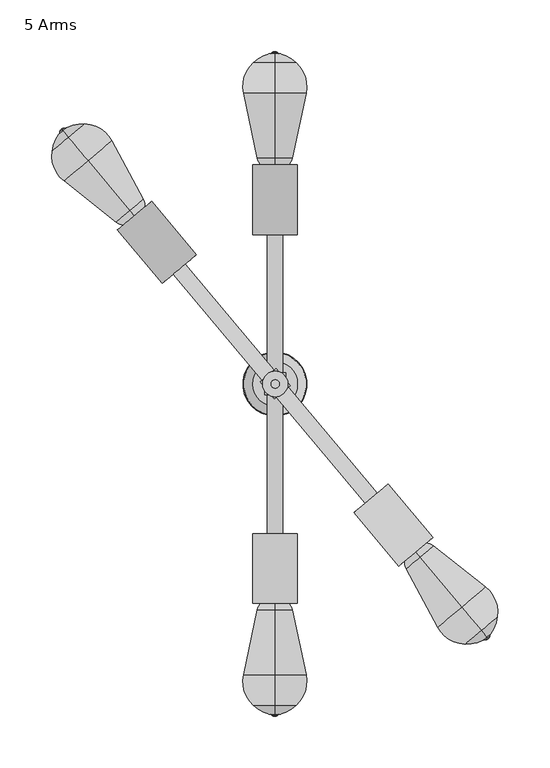
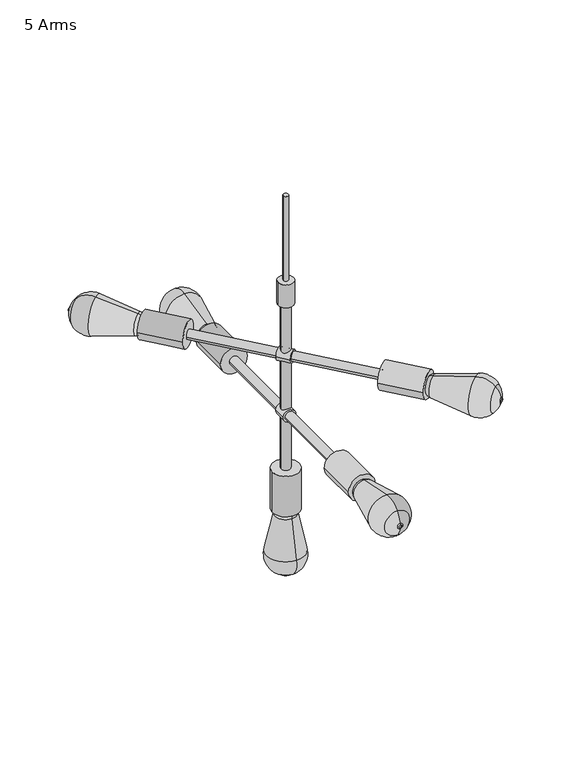
"""IFC4 building model written with IfcOpenShell, lengths in millimetres: furniture geometry, 5 Arms."""

from ifc_helpers import new_model, si_unit, point, frame, frame_2d, origin, origin_2d, place, context, project, spatial, polyline, circle_curve, ellipse_curve, trimmed, segment, composite_curve, outline, extrude, source, transform, mapped, element, save
from ifc_brep_helpers import plane_surface, revolved_surface, advanced_brep


def furniture_5_arms_834e8cb2(model_context):
    return source(origin(), model_context, "Body", "SolidModel", [
        extrude(outline(composite_curve([segment(trimmed(circle_curve(frame_2d((0.0, -10.0)), 10.0), [point((0.0, -19.9999999))], [point((0.0, 0.0))], False, "CARTESIAN"), True, "CONTINUOUS"), segment(trimmed(circle_curve(frame_2d((0.0, -10.0)), 10.0), [point((0.0, 0.0))], [point((0.0, -19.9999999))], False, "CARTESIAN"), True, "CONTINUOUS")], self_intersect=False)), frame((14.5076184, -1.6676483, 1125.9234878), z_axis=(-0.6390690779321045, 0.7691493441660142, 0.0), x_axis=(0.0, 0.0, 1.0)), (0.0, 0.0, 1.0), 21.3314186),
        extrude(outline(composite_curve([segment(trimmed(circle_curve(frame_2d((1028.6037377, 0.0)), 10.0), [point((1028.6037377, -10.0))], [point((1028.6037377, 10.0))], False, "CARTESIAN"), True, "CONTINUOUS"), segment(trimmed(circle_curve(frame_2d((1028.6037377, 0.0)), 10.0), [point((1028.6037377, 10.0))], [point((1028.6037377, -10.0))], False, "CARTESIAN"), True, "CONTINUOUS")], self_intersect=False)), frame((0.0, -10.5205251, 0.0), z_axis=(0.0, 1.0, 0.0), x_axis=(0.0, 0.0, 1.0)), (0.0, 0.0, 1.0), 21.3314186),
        extrude(outline(composite_curve([segment(trimmed(circle_curve(frame_2d((0.0, -21.5)), 21.5), [point((0.0, -43.0))], [point((0.0, 0.0))], False, "CARTESIAN"), True, "CONTINUOUS"), segment(trimmed(circle_curve(frame_2d((0.0, -21.5)), 21.5), [point((0.0, 0.0))], [point((0.0, -43.0))], False, "CARTESIAN"), True, "CONTINUOUS")], self_intersect=False)), frame((-76.2749676, 124.7486621, 1125.9234878), z_axis=(-0.641954592659255, 0.7667426562828561, 0.0), x_axis=(0.0, 0.0, 1.0)), (0.0, 0.0, 1.0), 67.2515383),
        extrude(outline(composite_curve([segment(trimmed(circle_curve(frame_2d((0.0, -21.5)), 21.5), [point((0.0, -43.0000001))], [point((0.0, 0.0))], False, "CARTESIAN"), True, "CONTINUOUS"), segment(trimmed(circle_curve(frame_2d((0.0, -21.5)), 21.5), [point((0.0, 0.0))], [point((0.0, -43.0000001))], False, "CARTESIAN"), True, "CONTINUOUS")], self_intersect=False)), frame((152.2179252, -148.1604339, 1125.9234878), z_axis=(-0.641954592659255, 0.7667426562828561, 0.0), x_axis=(0.0, 0.0, 1.0)), (0.0, 0.0, 1.0), 67.2515383),
        advanced_brep(
        [(-136.0675596, 162.0068787, 1125.9234878), (-136.0675596, 162.0068787, 1139.0991558), (-136.0675596, 162.0068787, 1112.7478198), (-140.4828524, 167.2804501, 1143.054111), (-140.4828524, 167.2804501, 1108.7928646), (-180.7451697, 215.3692658, 1156.2584812), (-180.7451697, 215.3692658, 1095.5884944), (-199.6744613, 237.9781784, 1146.5964524), (-199.6744613, 237.9781784, 1105.2505232), (-205.0121244, 244.3534175, 1130.9012975), (-205.0121244, 244.3534175, 1120.9456781), (-205.7418194, 245.2249562, 1128.9325153), (-205.7418194, 245.2249562, 1122.9144603), (-206.3018221, 245.8938165, 1126.8774109), (-206.3018221, 245.8938165, 1124.9695647), (-206.3018221, 245.8938165, 1125.9234878)],
        [
            (0, 1),
            (1, 2, circle_curve(frame((-136.0675596, 162.0068787, 1125.9234878), z_axis=(0.6419545926592655, -0.7667426562828475, 0.0), x_axis=(0.0, 0.0, 1.0)), 13.175668)),
            (2, 0),
            (2, 1, circle_curve(frame((-136.0675596, 162.0068787, 1125.9234878), z_axis=(0.6419545926592655, -0.7667426562828475, 0.0), x_axis=(0.0, 0.0, 1.0)), 13.175668)),
            (1, 3, circle_curve(frame((-142.1796575, 169.3070932, 1130.4994665), z_axis=(-0.7667426562828475, -0.6419545926592654, 0.0), x_axis=(0.0, 0.0, -1.0)), 12.8298686)),
            (3, 4, circle_curve(frame((-140.4828524, 167.2804501, 1125.9234878), z_axis=(0.6419545926592655, -0.7667426562828475, 0.0), x_axis=(0.0, 0.0, 1.0)), 17.1306232)),
            (4, 2, circle_curve(frame((-142.1796575, 169.3070932, 1121.3475091), z_axis=(-0.7667426562828471, -0.6419545926592658, 0.0), x_axis=(0.0, 0.0, 1.0)), 12.8298686)),
            (4, 3, circle_curve(frame((-140.4828524, 167.2804501, 1125.9234878), z_axis=(0.6419545926592655, -0.7667426562828475, 0.0), x_axis=(0.0, 0.0, 1.0)), 17.1306232)),
            (3, 5),
            (5, 6, circle_curve(frame((-180.7451697, 215.3692658, 1125.9234878), z_axis=(0.6419545926592655, -0.7667426562828475, 0.0), x_axis=(0.0, 0.0, 1.0)), 30.3349934)),
            (6, 4),
            (6, 5, circle_curve(frame((-180.7451697, 215.3692658, 1125.9234878), z_axis=(0.6419545926592655, -0.7667426562828475, 0.0), x_axis=(0.0, 0.0, 1.0)), 30.3349934)),
            (5, 7, circle_curve(frame((-184.8450526, 220.2661154, 1125.9234878), z_axis=(-0.7667426562828475, -0.6419545926592654, 0.0), x_axis=(0.0, 0.0, -1.0)), 31.0)),
            (7, 8, circle_curve(frame((-199.6744613, 237.9781784, 1125.9234878), z_axis=(0.6419545926592655, -0.7667426562828475, 0.0), x_axis=(0.0, 0.0, 1.0)), 20.6729646)),
            (8, 6, circle_curve(frame((-184.8450526, 220.2661154, 1125.9234878), z_axis=(-0.7667426562828471, -0.6419545926592658, 0.0), x_axis=(0.0, 0.0, 1.0)), 31.0)),
            (8, 7, circle_curve(frame((-199.6744613, 237.9781784, 1125.9234878), z_axis=(0.6419545926592655, -0.7667426562828475, 0.0), x_axis=(0.0, 0.0, 1.0)), 20.6729646)),
            (7, 9, circle_curve(frame((-182.0062726, 216.8755116, 1121.9660813), z_axis=(-0.7667426562828475, -0.6419545926592654, 0.0), x_axis=(0.0, 0.0, -1.0)), 36.9343014)),
            (9, 10, circle_curve(frame((-205.0121244, 244.3534175, 1125.9234878), z_axis=(0.6419545926592655, -0.7667426562828475, 0.0), x_axis=(0.0, 0.0, 1.0)), 4.9778097)),
            (10, 8, circle_curve(frame((-182.0062726, 216.8755116, 1129.8808943), z_axis=(-0.7667426562828471, -0.6419545926592658, 0.0), x_axis=(0.0, 0.0, 1.0)), 36.9343014)),
            (10, 9, circle_curve(frame((-205.0121244, 244.3534175, 1125.9234878), z_axis=(0.6419545926592655, -0.7667426562828475, 0.0), x_axis=(0.0, 0.0, 1.0)), 4.9778097)),
            (9, 11, circle_curve(frame((-207.5807889, 247.4213988, 1131.8989381), z_axis=(0.7667426562828475, 0.6419545926592654, 0.0), x_axis=(0.0, 0.0, -1.0)), 4.123813)),
            (11, 12, circle_curve(frame((-205.7418194, 245.2249562, 1125.9234878), z_axis=(0.6419545926592655, -0.7667426562828475, 0.0), x_axis=(0.0, 0.0, 1.0)), 3.0090275)),
            (12, 10, circle_curve(frame((-207.5807889, 247.4213988, 1119.9480375), z_axis=(0.7667426562828471, 0.6419545926592658, 0.0), x_axis=(0.0, 0.0, 1.0)), 4.123813)),
            (12, 11, circle_curve(frame((-205.7418194, 245.2249562, 1125.9234878), z_axis=(0.6419545926592655, -0.7667426562828475, 0.0), x_axis=(0.0, 0.0, 1.0)), 3.0090275)),
            (11, 13, circle_curve(frame((-204.4678019, 243.7032854, 1126.8774109), z_axis=(-0.7667426562828475, -0.6419545926592654, 0.0), x_axis=(0.0, 0.0, -1.0)), 2.8569314)),
            (13, 14, circle_curve(frame((-206.3018221, 245.8938165, 1125.9234878), z_axis=(0.6419545926592655, -0.7667426562828475, 0.0), x_axis=(0.0, 0.0, 1.0)), 0.9539231)),
            (14, 12, circle_curve(frame((-204.4678019, 243.7032854, 1124.9695647), z_axis=(-0.7667426562828471, -0.6419545926592658, 0.0), x_axis=(0.0, 0.0, 1.0)), 2.8569314)),
            (14, 13, circle_curve(frame((-206.3018221, 245.8938165, 1125.9234878), z_axis=(0.6419545926592655, -0.7667426562828475, 0.0), x_axis=(0.0, 0.0, 1.0)), 0.9539231)),
            (13, 15),
            (15, 14),
        ],
        [
            plane_surface(frame((-136.0675596, 162.0068787, 1125.9234878), z_axis=(0.6419545926592656, -0.7667426562828473, 0.0), x_axis=(0.0, 0.0, 1.0))),
            revolved_surface(trimmed(ellipse_curve(frame((-142.1796575, 169.3070932, 1130.4994665), z_axis=(0.7667426562828475, 0.6419545926592654, 0.0), x_axis=(0.0, 0.0, -1.0)), 12.8298686, 12.8298686), [point((-140.4828524, 167.2804501, 1143.054111))], [point((-136.0675596, 162.0068787, 1139.0991558))], True, "CARTESIAN"), (-118.6025009, 141.1468278, 1125.9234878), (0.6419545926592654, -0.7667426562828473, 0.0)),
            revolved_surface(trimmed(ellipse_curve(frame((-142.1796575, 169.3070932, 1130.4994665), z_axis=(0.7667426562828477, 0.6419545926592652, 0.0), x_axis=(0.0, 0.0, -1.0)), 12.8298686, 12.8298686), [point((-140.4828524, 167.2804501, 1143.054111))], [point((-136.0675596, 162.0068787, 1139.0991558))], True, "CARTESIAN"), (-118.6025009, 141.1468278, 1125.9234878), (0.6419545926592654, -0.7667426562828473, 0.0)),
            revolved_surface(polyline([(-180.7451697, 215.3692658, 1156.2584812), (-140.4828524, 167.2804501, 1143.054111)]), (-118.6025009, 141.1468278, 1125.9234878), (0.6419545926592654, -0.7667426562828473, 0.0)),
            revolved_surface(trimmed(ellipse_curve(frame((-184.8450526, 220.2661154, 1125.9234878), z_axis=(0.7667426562828475, 0.6419545926592654, 0.0), x_axis=(0.0, 0.0, -1.0)), 31.0, 31.0), [point((-199.6744613, 237.9781784, 1146.5964524))], [point((-180.7451697, 215.3692658, 1156.2584812))], True, "CARTESIAN"), (-118.6025009, 141.1468278, 1125.9234878), (0.6419545926592654, -0.7667426562828473, 0.0)),
            revolved_surface(trimmed(ellipse_curve(frame((-184.8450526, 220.2661154, 1125.9234878), z_axis=(0.7667426562828477, 0.6419545926592652, 0.0), x_axis=(0.0, 0.0, -1.0)), 31.0, 31.0), [point((-199.6744613, 237.9781784, 1146.5964524))], [point((-180.7451697, 215.3692658, 1156.2584812))], True, "CARTESIAN"), (-118.6025009, 141.1468278, 1125.9234878), (0.6419545926592654, -0.7667426562828473, 0.0)),
            revolved_surface(trimmed(ellipse_curve(frame((-182.0062726, 216.8755116, 1121.9660813), z_axis=(0.7667426562828475, 0.6419545926592654, 0.0), x_axis=(0.0, 0.0, -1.0)), 36.9343014, 36.9343014), [point((-205.0121244, 244.3534175, 1130.9012975))], [point((-199.6744613, 237.9781784, 1146.5964524))], True, "CARTESIAN"), (-118.6025009, 141.1468278, 1125.9234878), (0.6419545926592654, -0.7667426562828473, 0.0)),
            revolved_surface(trimmed(ellipse_curve(frame((-182.0062726, 216.8755116, 1121.9660813), z_axis=(0.7667426562828477, 0.6419545926592652, 0.0), x_axis=(0.0, 0.0, -1.0)), 36.9343014, 36.9343014), [point((-205.0121244, 244.3534175, 1130.9012975))], [point((-199.6744613, 237.9781784, 1146.5964524))], True, "CARTESIAN"), (-118.6025009, 141.1468278, 1125.9234878), (0.6419545926592654, -0.7667426562828473, 0.0)),
            revolved_surface(trimmed(ellipse_curve(frame((-207.5807889, 247.4213988, 1131.8989381), z_axis=(-0.7667426562828475, -0.6419545926592654, 0.0), x_axis=(0.0, 0.0, -1.0)), 4.123813, 4.123813), [point((-205.7418194, 245.2249562, 1128.9325153))], [point((-205.0121244, 244.3534175, 1130.9012975))], True, "CARTESIAN"), (-118.6025009, 141.1468278, 1125.9234878), (0.6419545926592654, -0.7667426562828473, 0.0)),
            revolved_surface(trimmed(ellipse_curve(frame((-207.5807889, 247.4213988, 1131.8989381), z_axis=(-0.7667426562828477, -0.6419545926592652, 0.0), x_axis=(0.0, 0.0, -1.0)), 4.123813, 4.123813), [point((-205.7418194, 245.2249562, 1128.9325153))], [point((-205.0121244, 244.3534175, 1130.9012975))], True, "CARTESIAN"), (-118.6025009, 141.1468278, 1125.9234878), (0.6419545926592654, -0.7667426562828473, 0.0)),
            revolved_surface(trimmed(ellipse_curve(frame((-204.4678019, 243.7032854, 1126.8774109), z_axis=(0.7667426562828475, 0.6419545926592654, 0.0), x_axis=(0.0, 0.0, -1.0)), 2.8569314, 2.8569314), [point((-206.3018221, 245.8938165, 1126.8774109))], [point((-205.7418194, 245.2249562, 1128.9325153))], True, "CARTESIAN"), (-118.6025009, 141.1468278, 1125.9234878), (0.6419545926592654, -0.7667426562828473, 0.0)),
            revolved_surface(trimmed(ellipse_curve(frame((-204.4678019, 243.7032854, 1126.8774109), z_axis=(0.7667426562828477, 0.6419545926592652, 0.0), x_axis=(0.0, 0.0, -1.0)), 2.8569314, 2.8569314), [point((-206.3018221, 245.8938165, 1126.8774109))], [point((-205.7418194, 245.2249562, 1128.9325153))], True, "CARTESIAN"), (-118.6025009, 141.1468278, 1125.9234878), (0.6419545926592654, -0.7667426562828473, 0.0)),
            plane_surface(frame((-206.3018221, 245.8938165, 1125.9234878), z_axis=(-0.6419545926592656, 0.7667426562828473, 0.0), x_axis=(0.0, 0.0, 1.0))),
        ],
        [
            (0, [[1, 2, 3]]),
            (0, [[-3, 4, -1]]),
            (1, [[-2, 5, 6, 7]]),
            (2, [[-4, -7, 8, -5]]),
            (3, [[-6, 9, 10, 11]]),
            (3, [[-8, -11, 12, -9]]),
            (4, [[-10, 13, 14, 15]]),
            (5, [[-12, -15, 16, -13]]),
            (6, [[-14, 17, 18, 19]]),
            (7, [[-16, -19, 20, -17]]),
            (8, [[-18, 21, 22, 23]]),
            (9, [[-20, -23, 24, -21]]),
            (10, [[-22, 25, 26, 27]]),
            (11, [[-24, -27, 28, -25]]),
            (12, [[-26, 29, 30]]),
            (12, [[-28, -30, -29]]),
        ],
    ),
        extrude(outline(composite_curve([segment(trimmed(circle_curve(frame_2d((0.0, -7.5)), 7.5), [point((0.0, -15.0))], [point((0.0, 0.0))], False, "CARTESIAN"), True, "CONTINUOUS"), segment(trimmed(circle_curve(frame_2d((0.0, -7.5)), 7.5), [point((0.0, 0.0))], [point((0.0, -15.0))], False, "CARTESIAN"), True, "CONTINUOUS")], self_intersect=False)), frame((98.3110941, -105.5831751, 1125.9234878), z_axis=(-0.641954592659255, 0.7667426562828561, 0.0), x_axis=(0.0, 0.0, 1.0)), (0.0, 0.0, 1.0), 288.6815688),
        advanced_brep(
        [(135.2126646, -162.0068787, 1112.7478198), (135.2126646, -162.0068787, 1139.0991558), (135.2126646, -162.0068787, 1125.9234878), (139.6279574, -167.2804501, 1108.7928646), (139.6279574, -167.2804501, 1143.054111), (179.8902747, -215.3692658, 1095.5884944), (179.8902747, -215.3692658, 1156.2584812), (198.8195662, -237.9781784, 1105.2505232), (198.8195662, -237.9781784, 1146.5964524), (204.1572294, -244.3534175, 1120.9456781), (204.1572294, -244.3534175, 1130.9012975), (204.8869243, -245.2249562, 1122.9144603), (204.8869243, -245.2249562, 1128.9325153), (205.4469271, -245.8938165, 1124.9695647), (205.4469271, -245.8938165, 1126.8774109), (205.4469271, -245.8938165, 1125.9234878)],
        [
            (0, 1, circle_curve(frame((135.2126646, -162.0068787, 1125.9234878), z_axis=(-0.6419545926592396, 0.7667426562828692, 0.0), x_axis=(0.0, 0.0, 1.0)), 13.175668)),
            (1, 2),
            (2, 0),
            (1, 0, circle_curve(frame((135.2126646, -162.0068787, 1125.9234878), z_axis=(-0.6419545926592396, 0.7667426562828692, 0.0), x_axis=(0.0, 0.0, 1.0)), 13.175668)),
            (3, 4, circle_curve(frame((139.6279574, -167.2804501, 1125.9234878), z_axis=(-0.6419545926592396, 0.7667426562828692, 0.0), x_axis=(0.0, 0.0, 1.0)), 17.1306232)),
            (4, 1, circle_curve(frame((141.3247625, -169.3070932, 1130.4994665), z_axis=(-0.7667426562828732, -0.6419545926592348, 0.0), x_axis=(0.0, 0.0, -1.0)), 12.8298686)),
            (0, 3, circle_curve(frame((141.3247625, -169.3070932, 1121.3475091), z_axis=(-0.766742656282857, -0.6419545926592541, 0.0), x_axis=(0.0, 0.0, 1.0)), 12.8298686)),
            (4, 3, circle_curve(frame((139.6279574, -167.2804501, 1125.9234878), z_axis=(-0.6419545926592396, 0.7667426562828692, 0.0), x_axis=(0.0, 0.0, 1.0)), 17.1306232)),
            (5, 6, circle_curve(frame((179.8902747, -215.3692658, 1125.9234878), z_axis=(-0.6419545926592396, 0.7667426562828692, 0.0), x_axis=(0.0, 0.0, 1.0)), 30.3349934)),
            (6, 4),
            (3, 5),
            (6, 5, circle_curve(frame((179.8902747, -215.3692658, 1125.9234878), z_axis=(-0.6419545926592396, 0.7667426562828692, 0.0), x_axis=(0.0, 0.0, 1.0)), 30.3349934)),
            (7, 8, circle_curve(frame((198.8195662, -237.9781784, 1125.9234878), z_axis=(-0.6419545926592396, 0.7667426562828692, 0.0), x_axis=(0.0, 0.0, 1.0)), 20.6729646)),
            (8, 6, circle_curve(frame((183.9901576, -220.2661154, 1125.9234878), z_axis=(-0.7667426562828732, -0.6419545926592348, 0.0), x_axis=(0.0, 0.0, -1.0)), 31.0)),
            (5, 7, circle_curve(frame((183.9901576, -220.2661154, 1125.9234878), z_axis=(-0.766742656282857, -0.6419545926592541, 0.0), x_axis=(0.0, 0.0, 1.0)), 31.0)),
            (8, 7, circle_curve(frame((198.8195662, -237.9781784, 1125.9234878), z_axis=(-0.6419545926592396, 0.7667426562828692, 0.0), x_axis=(0.0, 0.0, 1.0)), 20.6729646)),
            (9, 10, circle_curve(frame((204.1572294, -244.3534175, 1125.9234878), z_axis=(-0.6419545926592396, 0.7667426562828692, 0.0), x_axis=(0.0, 0.0, 1.0)), 4.9778097)),
            (10, 8, circle_curve(frame((181.1513776, -216.8755116, 1121.9660813), z_axis=(-0.7667426562828732, -0.6419545926592348, 0.0), x_axis=(0.0, 0.0, -1.0)), 36.9343014)),
            (7, 9, circle_curve(frame((181.1513776, -216.8755116, 1129.8808943), z_axis=(-0.766742656282857, -0.6419545926592541, 0.0), x_axis=(0.0, 0.0, 1.0)), 36.9343014)),
            (10, 9, circle_curve(frame((204.1572294, -244.3534175, 1125.9234878), z_axis=(-0.6419545926592396, 0.7667426562828692, 0.0), x_axis=(0.0, 0.0, 1.0)), 4.9778097)),
            (11, 12, circle_curve(frame((204.8869243, -245.2249562, 1125.9234878), z_axis=(-0.6419545926592396, 0.7667426562828692, 0.0), x_axis=(0.0, 0.0, 1.0)), 3.0090275)),
            (12, 10, circle_curve(frame((206.7258939, -247.4213988, 1131.8989381), z_axis=(0.7667426562828732, 0.6419545926592348, 0.0), x_axis=(0.0, 0.0, -1.0)), 4.123813)),
            (9, 11, circle_curve(frame((206.7258939, -247.4213988, 1119.9480375), z_axis=(0.766742656282857, 0.6419545926592541, 0.0), x_axis=(0.0, 0.0, 1.0)), 4.123813)),
            (12, 11, circle_curve(frame((204.8869243, -245.2249562, 1125.9234878), z_axis=(-0.6419545926592396, 0.7667426562828692, 0.0), x_axis=(0.0, 0.0, 1.0)), 3.0090275)),
            (13, 14, circle_curve(frame((205.4469271, -245.8938165, 1125.9234878), z_axis=(-0.6419545926592396, 0.7667426562828692, 0.0), x_axis=(0.0, 0.0, 1.0)), 0.9539231)),
            (14, 12, circle_curve(frame((203.6129069, -243.7032854, 1126.8774109), z_axis=(-0.7667426562828732, -0.6419545926592348, 0.0), x_axis=(0.0, 0.0, -1.0)), 2.8569314)),
            (11, 13, circle_curve(frame((203.6129069, -243.7032854, 1124.9695647), z_axis=(-0.766742656282857, -0.6419545926592541, 0.0), x_axis=(0.0, 0.0, 1.0)), 2.8569314)),
            (14, 13, circle_curve(frame((205.4469271, -245.8938165, 1125.9234878), z_axis=(-0.6419545926592396, 0.7667426562828692, 0.0), x_axis=(0.0, 0.0, 1.0)), 0.9539231)),
            (15, 14),
            (13, 15),
        ],
        [
            plane_surface(frame((135.2126646, -162.0068787, 1125.9234878), z_axis=(-0.6419545926592445, 0.7667426562828651, 0.0), x_axis=(0.0, 0.0, 1.0))),
            revolved_surface(trimmed(ellipse_curve(frame((141.3247625, -169.3070932, 1130.4994665), z_axis=(0.7667426562828732, 0.6419545926592348, 0.0), x_axis=(0.0, 0.0, -1.0)), 12.8298686, 12.8298686), [point((135.2126646, -162.0068787, 1139.0991558))], [point((139.6279574, -167.2804501, 1143.054111))], True, "CARTESIAN"), (117.7476059, -141.1468278, 1125.9234878), (0.6419545926592395, -0.766742656282869, 0.0)),
            revolved_surface(trimmed(ellipse_curve(frame((141.3247625, -169.3070932, 1130.4994665), z_axis=(0.7667426562828772, 0.6419545926592299, 0.0), x_axis=(0.0, 0.0, -1.0)), 12.8298686, 12.8298686), [point((135.2126646, -162.0068787, 1139.0991558))], [point((139.6279574, -167.2804501, 1143.054111))], True, "CARTESIAN"), (117.7476059, -141.1468278, 1125.9234878), (0.6419545926592395, -0.766742656282869, 0.0)),
            revolved_surface(polyline([(139.6279574, -167.2804501, 1143.054111), (179.8902747, -215.3692658, 1156.2584812)]), (117.7476059, -141.1468278, 1125.9234878), (0.6419545926592395, -0.766742656282869, 0.0)),
            revolved_surface(trimmed(ellipse_curve(frame((183.9901576, -220.2661154, 1125.9234878), z_axis=(0.7667426562828732, 0.6419545926592348, 0.0), x_axis=(0.0, 0.0, -1.0)), 31.0, 31.0), [point((179.8902747, -215.3692658, 1156.2584812))], [point((198.8195662, -237.9781784, 1146.5964524))], True, "CARTESIAN"), (117.7476059, -141.1468278, 1125.9234878), (0.6419545926592395, -0.766742656282869, 0.0)),
            revolved_surface(trimmed(ellipse_curve(frame((183.9901576, -220.2661154, 1125.9234878), z_axis=(0.7667426562828772, 0.6419545926592299, 0.0), x_axis=(0.0, 0.0, -1.0)), 31.0, 31.0), [point((179.8902747, -215.3692658, 1156.2584812))], [point((198.8195662, -237.9781784, 1146.5964524))], True, "CARTESIAN"), (117.7476059, -141.1468278, 1125.9234878), (0.6419545926592395, -0.766742656282869, 0.0)),
            revolved_surface(trimmed(ellipse_curve(frame((181.1513776, -216.8755116, 1121.9660813), z_axis=(0.7667426562828732, 0.6419545926592348, 0.0), x_axis=(0.0, 0.0, -1.0)), 36.9343014, 36.9343014), [point((198.8195662, -237.9781784, 1146.5964524))], [point((204.1572294, -244.3534175, 1130.9012975))], True, "CARTESIAN"), (117.7476059, -141.1468278, 1125.9234878), (0.6419545926592395, -0.766742656282869, 0.0)),
            revolved_surface(trimmed(ellipse_curve(frame((181.1513776, -216.8755116, 1121.9660813), z_axis=(0.7667426562828772, 0.6419545926592299, 0.0), x_axis=(0.0, 0.0, -1.0)), 36.9343014, 36.9343014), [point((198.8195662, -237.9781784, 1146.5964524))], [point((204.1572294, -244.3534175, 1130.9012975))], True, "CARTESIAN"), (117.7476059, -141.1468278, 1125.9234878), (0.6419545926592395, -0.766742656282869, 0.0)),
            revolved_surface(trimmed(ellipse_curve(frame((206.7258939, -247.4213988, 1131.8989381), z_axis=(-0.7667426562828732, -0.6419545926592348, 0.0), x_axis=(0.0, 0.0, -1.0)), 4.123813, 4.123813), [point((204.1572294, -244.3534175, 1130.9012975))], [point((204.8869243, -245.2249562, 1128.9325153))], True, "CARTESIAN"), (117.7476059, -141.1468278, 1125.9234878), (0.6419545926592395, -0.766742656282869, 0.0)),
            revolved_surface(trimmed(ellipse_curve(frame((206.7258939, -247.4213988, 1131.8989381), z_axis=(-0.7667426562828772, -0.6419545926592299, 0.0), x_axis=(0.0, 0.0, -1.0)), 4.123813, 4.123813), [point((204.1572294, -244.3534175, 1130.9012975))], [point((204.8869243, -245.2249562, 1128.9325153))], True, "CARTESIAN"), (117.7476059, -141.1468278, 1125.9234878), (0.6419545926592395, -0.766742656282869, 0.0)),
            revolved_surface(trimmed(ellipse_curve(frame((203.6129069, -243.7032854, 1126.8774109), z_axis=(0.7667426562828732, 0.6419545926592348, 0.0), x_axis=(0.0, 0.0, -1.0)), 2.8569314, 2.8569314), [point((204.8869243, -245.2249562, 1128.9325153))], [point((205.4469271, -245.8938165, 1126.8774109))], True, "CARTESIAN"), (117.7476059, -141.1468278, 1125.9234878), (0.6419545926592395, -0.766742656282869, 0.0)),
            revolved_surface(trimmed(ellipse_curve(frame((203.6129069, -243.7032854, 1126.8774109), z_axis=(0.7667426562828772, 0.6419545926592299, 0.0), x_axis=(0.0, 0.0, -1.0)), 2.8569314, 2.8569314), [point((204.8869243, -245.2249562, 1128.9325153))], [point((205.4469271, -245.8938165, 1126.8774109))], True, "CARTESIAN"), (117.7476059, -141.1468278, 1125.9234878), (0.6419545926592395, -0.766742656282869, 0.0)),
            plane_surface(frame((205.4469271, -245.8938165, 1125.9234878), z_axis=(0.6419545926592445, -0.7667426562828651, 0.0), x_axis=(0.0, 0.0, 1.0))),
        ],
        [
            (0, [[1, 2, 3]]),
            (0, [[4, -3, -2]]),
            (1, [[5, 6, -1, 7]]),
            (2, [[8, -7, -4, -6]]),
            (3, [[9, 10, -5, 11]]),
            (3, [[12, -11, -8, -10]]),
            (4, [[13, 14, -9, 15]]),
            (5, [[16, -15, -12, -14]]),
            (6, [[17, 18, -13, 19]]),
            (7, [[20, -19, -16, -18]]),
            (8, [[21, 22, -17, 23]]),
            (9, [[24, -23, -20, -22]]),
            (10, [[25, 26, -21, 27]]),
            (11, [[28, -27, -24, -26]]),
            (12, [[29, -25, 30]]),
            (12, [[-30, -28, -29]]),
        ],
    ),
        advanced_brep(
        [(-0.2492031, 13.175668, 864.997955), (-0.2492031, -13.175668, 864.997955), (-0.2492031, 0.0, 864.997955), (-0.2492031, 17.1306232, 858.1200654), (-0.2492031, -17.1306232, 858.1200654), (-0.2492031, 30.3349934, 795.4017396), (-0.2492031, -30.3349934, 795.4017396), (-0.2492031, 20.6729646, 765.9147763), (-0.2492031, -20.6729646, 765.9147763), (-0.2492031, 4.9778097, 757.6000712), (-0.2492031, -4.9778097, 757.6000712), (-0.2492031, 3.0090275, 756.4633943), (-0.2492031, -3.0090275, 756.4633943), (-0.2492031, 0.9539231, 755.5910542), (-0.2492031, -0.9539231, 755.5910542), (-0.2492031, 0.0, 755.5910542)],
        [
            (0, 1, circle_curve(frame((-0.2492031, 0.0, 864.997955), z_axis=(0.0, 0.0, 1.0), x_axis=(0.0, -1.0, 0.0)), 13.175668)),
            (1, 2),
            (2, 0),
            (1, 0, circle_curve(frame((-0.2492031, 0.0, 864.997955), z_axis=(0.0, 0.0, 1.0), x_axis=(0.0, -1.0, 0.0)), 13.175668)),
            (3, 4, circle_curve(frame((-0.2492031, 0.0, 858.1200654), z_axis=(0.0, 0.0, 1.0), x_axis=(0.0, -1.0, 0.0)), 17.1306232)),
            (4, 1, circle_curve(frame((-0.2492031, -4.5759787, 855.4768799), z_axis=(-1.0, 0.0, 0.0), x_axis=(0.0, 1.0, 0.0)), 12.8298686)),
            (0, 3, circle_curve(frame((-0.2492031, 4.5759787, 855.4768799), z_axis=(-1.0, 0.0, 0.0), x_axis=(0.0, -1.0, 0.0)), 12.8298686)),
            (4, 3, circle_curve(frame((-0.2492031, 0.0, 858.1200654), z_axis=(0.0, 0.0, 1.0), x_axis=(0.0, -1.0, 0.0)), 17.1306232)),
            (5, 6, circle_curve(frame((-0.2492031, 0.0, 795.4017396), z_axis=(0.0, 0.0, 1.0), x_axis=(0.0, -1.0, 0.0)), 30.3349934)),
            (6, 4),
            (3, 5),
            (6, 5, circle_curve(frame((-0.2492031, 0.0, 795.4017396), z_axis=(0.0, 0.0, 1.0), x_axis=(0.0, -1.0, 0.0)), 30.3349934)),
            (7, 8, circle_curve(frame((-0.2492031, 0.0, 765.9147763), z_axis=(0.0, 0.0, 1.0), x_axis=(0.0, -1.0, 0.0)), 20.6729646)),
            (8, 6, circle_curve(frame((-0.2492031, 0.0, 789.0151775), z_axis=(-1.0, 0.0, 0.0), x_axis=(0.0, 1.0, 0.0)), 31.0)),
            (5, 7, circle_curve(frame((-0.2492031, 0.0, 789.0151775), z_axis=(-1.0, 0.0, 0.0), x_axis=(0.0, -1.0, 0.0)), 31.0)),
            (8, 7, circle_curve(frame((-0.2492031, 0.0, 765.9147763), z_axis=(0.0, 0.0, 1.0), x_axis=(0.0, -1.0, 0.0)), 20.6729646)),
            (9, 10, circle_curve(frame((-0.2492031, 0.0, 757.6000712), z_axis=(0.0, 0.0, 1.0), x_axis=(0.0, -1.0, 0.0)), 4.9778097)),
            (10, 8, circle_curve(frame((-0.2492031, 3.9574065, 793.4372659), z_axis=(-1.0, 0.0, 0.0), x_axis=(0.0, 1.0, 0.0)), 36.9343014)),
            (7, 9, circle_curve(frame((-0.2492031, -3.9574065, 793.4372659), z_axis=(-1.0, 0.0, 0.0), x_axis=(0.0, -1.0, 0.0)), 36.9343014)),
            (10, 9, circle_curve(frame((-0.2492031, 0.0, 757.6000712), z_axis=(0.0, 0.0, 1.0), x_axis=(0.0, -1.0, 0.0)), 4.9778097)),
            (11, 12, circle_curve(frame((-0.2492031, 0.0, 756.4633943), z_axis=(0.0, 0.0, 1.0), x_axis=(0.0, -1.0, 0.0)), 3.0090275)),
            (12, 10, circle_curve(frame((-0.2492031, -5.9754503, 753.5987531), z_axis=(1.0, 0.0, 0.0), x_axis=(0.0, 1.0, 0.0)), 4.123813)),
            (9, 11, circle_curve(frame((-0.2492031, 5.9754503, 753.5987531), z_axis=(1.0, 0.0, 0.0), x_axis=(0.0, -1.0, 0.0)), 4.123813)),
            (12, 11, circle_curve(frame((-0.2492031, 0.0, 756.4633943), z_axis=(0.0, 0.0, 1.0), x_axis=(0.0, -1.0, 0.0)), 3.0090275)),
            (13, 14, circle_curve(frame((-0.2492031, 0.0, 755.5910542), z_axis=(0.0, 0.0, 1.0), x_axis=(0.0, -1.0, 0.0)), 0.9539231)),
            (14, 12, circle_curve(frame((-0.2492031, -0.9539231, 758.4479855), z_axis=(-1.0, 0.0, 0.0), x_axis=(0.0, 1.0, 0.0)), 2.8569314)),
            (11, 13, circle_curve(frame((-0.2492031, 0.9539231, 758.4479855), z_axis=(-1.0, 0.0, 0.0), x_axis=(0.0, -1.0, 0.0)), 2.8569314)),
            (14, 13, circle_curve(frame((-0.2492031, 0.0, 755.5910542), z_axis=(0.0, 0.0, 1.0), x_axis=(0.0, -1.0, 0.0)), 0.9539231)),
            (15, 14),
            (13, 15),
        ],
        [
            plane_surface(frame((-0.2492031, 0.0, 864.997955), z_axis=(0.0, 0.0, 1.0), x_axis=(0.0, -1.0, 0.0))),
            revolved_surface(trimmed(ellipse_curve(frame((-0.2492031, -4.5759787, 855.4768799), z_axis=(1.0, 0.0, 0.0), x_axis=(0.0, 1.0, 0.0)), 12.8298686, 12.8298686), [point((-0.2492031, -13.175668, 864.997955))], [point((-0.2492031, -17.1306232, 858.1200654))], True, "CARTESIAN"), (-0.2492031, 0.0, 892.2040206), (0.0, 0.0, -1.0)),
            revolved_surface(polyline([(-0.2492031, -17.1306232, 858.1200654), (-0.2492031, -30.3349934, 795.4017396)]), (-0.2492031, 0.0, 892.2040206), (0.0, 0.0, -1.0)),
            revolved_surface(trimmed(ellipse_curve(frame((-0.2492031, 0.0, 789.0151775), z_axis=(1.0, 0.0, 0.0), x_axis=(0.0, 1.0, 0.0)), 31.0, 31.0), [point((-0.2492031, -30.3349934, 795.4017396))], [point((-0.2492031, -20.6729646, 765.9147763))], True, "CARTESIAN"), (-0.2492031, 0.0, 892.2040206), (0.0, 0.0, -1.0)),
            revolved_surface(trimmed(ellipse_curve(frame((-0.2492031, 3.9574065, 793.4372659), z_axis=(1.0, 0.0, 0.0), x_axis=(0.0, 1.0, 0.0)), 36.9343014, 36.9343014), [point((-0.2492031, -20.6729646, 765.9147763))], [point((-0.2492031, -4.9778097, 757.6000712))], True, "CARTESIAN"), (-0.2492031, 0.0, 892.2040206), (0.0, 0.0, -1.0)),
            revolved_surface(trimmed(ellipse_curve(frame((-0.2492031, -5.9754503, 753.5987531), z_axis=(-1.0, 0.0, 0.0), x_axis=(0.0, 1.0, 0.0)), 4.123813, 4.123813), [point((-0.2492031, -4.9778097, 757.6000712))], [point((-0.2492031, -3.0090275, 756.4633943))], True, "CARTESIAN"), (-0.2492031, 0.0, 892.2040206), (0.0, 0.0, -1.0)),
            revolved_surface(trimmed(ellipse_curve(frame((-0.2492031, -0.9539231, 758.4479855), z_axis=(1.0, 0.0, 0.0), x_axis=(0.0, 1.0, 0.0)), 2.8569314, 2.8569314), [point((-0.2492031, -3.0090275, 756.4633943))], [point((-0.2492031, -0.9539231, 755.5910542))], True, "CARTESIAN"), (-0.2492031, 0.0, 892.2040206), (0.0, 0.0, -1.0)),
            plane_surface(frame((-0.2492031, 0.0, 755.5910542), z_axis=(0.0, 0.0, -1.0), x_axis=(0.0, -1.0, 0.0))),
        ],
        [
            (0, [[1, 2, 3]]),
            (0, [[4, -3, -2]]),
            (1, [[5, 6, -1, 7]]),
            (1, [[8, -7, -4, -6]]),
            (2, [[9, 10, -5, 11]]),
            (2, [[12, -11, -8, -10]]),
            (3, [[13, 14, -9, 15]]),
            (3, [[16, -15, -12, -14]]),
            (4, [[17, 18, -13, 19]]),
            (4, [[20, -19, -16, -18]]),
            (5, [[21, 22, -17, 23]]),
            (5, [[24, -23, -20, -22]]),
            (6, [[25, 26, -21, 27]]),
            (6, [[28, -27, -24, -26]]),
            (7, [[29, -25, 30]]),
            (7, [[-30, -28, -29]]),
        ],
    ),
        extrude(outline(composite_curve([segment(trimmed(circle_curve(frame_2d((1028.6037377, 0.0)), 21.5), [point((1028.6037377, -21.5))], [point((1028.6037377, 21.5))], False, "CARTESIAN"), True, "CONTINUOUS"), segment(trimmed(circle_curve(frame_2d((1028.6037377, 0.0)), 21.5), [point((1028.6037377, 21.5))], [point((1028.6037377, -21.5))], False, "CARTESIAN"), True, "CONTINUOUS")], self_intersect=False)), frame((0.0, 144.3407844, 0.0), z_axis=(0.0, 1.0, 0.0), x_axis=(0.0, 0.0, 1.0)), (0.0, 0.0, 1.0), 67.2515383),
        extrude(outline(composite_curve([segment(trimmed(circle_curve(frame_2d((1028.6037377, 0.0)), 21.5), [point((1028.6037377, -21.5))], [point((1028.6037377, 21.5))], False, "CARTESIAN"), True, "CONTINUOUS"), segment(trimmed(circle_curve(frame_2d((1028.6037377, 0.0)), 21.5), [point((1028.6037377, 21.5))], [point((1028.6037377, -21.5))], False, "CARTESIAN"), True, "CONTINUOUS")], self_intersect=False)), frame((0.0, -211.5923227, 0.0), z_axis=(0.0, 1.0, 0.0), x_axis=(0.0, 0.0, 1.0)), (0.0, 0.0, 1.0), 67.2515383),
        advanced_brep(
        [(-0.4274475, 211.2923775, 1028.6037377), (-0.4274475, 211.2923775, 1041.7794057), (-0.4274475, 211.2923775, 1015.4280697), (-0.4274475, 218.170267, 1045.7343609), (-0.4274475, 218.170267, 1011.4731145), (-0.4274475, 280.8885929, 1058.9387311), (-0.4274475, 280.8885929, 998.2687443), (-0.4274475, 310.3755562, 1049.2767023), (-0.4274475, 310.3755562, 1007.9307731), (-0.4274475, 318.6902613, 1033.5815474), (-0.4274475, 318.6902613, 1023.625928), (-0.4274475, 319.8269382, 1031.6127652), (-0.4274475, 319.8269382, 1025.5947101), (-0.4274475, 320.6992783, 1029.5576608), (-0.4274475, 320.6992783, 1027.6498146), (-0.4274475, 320.6992783, 1028.6037377)],
        [
            (0, 1),
            (1, 2, circle_curve(frame((-0.4274475, 211.2923775, 1028.6037377), z_axis=(0.0, -1.0, 0.0), x_axis=(0.0, 0.0, 1.0)), 13.175668)),
            (2, 0),
            (2, 1, circle_curve(frame((-0.4274475, 211.2923775, 1028.6037377), z_axis=(0.0, -1.0, 0.0), x_axis=(0.0, 0.0, 1.0)), 13.175668)),
            (1, 3, circle_curve(frame((-0.4274475, 220.8134526, 1033.1797164), z_axis=(-1.0, 0.0, 0.0), x_axis=(0.0, 0.0, -1.0)), 12.8298686)),
            (3, 4, circle_curve(frame((-0.4274475, 218.170267, 1028.6037377), z_axis=(0.0, -1.0, 0.0), x_axis=(0.0, 0.0, 1.0)), 17.1306232)),
            (4, 2, circle_curve(frame((-0.4274475, 220.8134526, 1024.027759), z_axis=(-1.0, 0.0, 0.0), x_axis=(0.0, 0.0, 1.0)), 12.8298686)),
            (4, 3, circle_curve(frame((-0.4274475, 218.170267, 1028.6037377), z_axis=(0.0, -1.0, 0.0), x_axis=(0.0, 0.0, 1.0)), 17.1306232)),
            (3, 5),
            (5, 6, circle_curve(frame((-0.4274475, 280.8885929, 1028.6037377), z_axis=(0.0, -1.0, 0.0), x_axis=(0.0, 0.0, 1.0)), 30.3349934)),
            (6, 4),
            (6, 5, circle_curve(frame((-0.4274475, 280.8885929, 1028.6037377), z_axis=(0.0, -1.0, 0.0), x_axis=(0.0, 0.0, 1.0)), 30.3349934)),
            (5, 7, circle_curve(frame((-0.4274475, 287.275155, 1028.6037377), z_axis=(-1.0, 0.0, 0.0), x_axis=(0.0, 0.0, -1.0)), 31.0)),
            (7, 8, circle_curve(frame((-0.4274475, 310.3755562, 1028.6037377), z_axis=(0.0, -1.0, 0.0), x_axis=(0.0, 0.0, 1.0)), 20.6729646)),
            (8, 6, circle_curve(frame((-0.4274475, 287.275155, 1028.6037377), z_axis=(-1.0, 0.0, 0.0), x_axis=(0.0, 0.0, 1.0)), 31.0)),
            (8, 7, circle_curve(frame((-0.4274475, 310.3755562, 1028.6037377), z_axis=(0.0, -1.0, 0.0), x_axis=(0.0, 0.0, 1.0)), 20.6729646)),
            (7, 9, circle_curve(frame((-0.4274475, 282.8530665, 1024.6463312), z_axis=(-1.0, 0.0, 0.0), x_axis=(0.0, 0.0, -1.0)), 36.9343014)),
            (9, 10, circle_curve(frame((-0.4274475, 318.6902613, 1028.6037377), z_axis=(0.0, -1.0, 0.0), x_axis=(0.0, 0.0, 1.0)), 4.9778097)),
            (10, 8, circle_curve(frame((-0.4274475, 282.8530665, 1032.5611442), z_axis=(-1.0, 0.0, 0.0), x_axis=(0.0, 0.0, 1.0)), 36.9343014)),
            (10, 9, circle_curve(frame((-0.4274475, 318.6902613, 1028.6037377), z_axis=(0.0, -1.0, 0.0), x_axis=(0.0, 0.0, 1.0)), 4.9778097)),
            (9, 11, circle_curve(frame((-0.4274475, 322.6915794, 1034.579188), z_axis=(1.0, 0.0, 0.0), x_axis=(0.0, 0.0, -1.0)), 4.123813)),
            (11, 12, circle_curve(frame((-0.4274475, 319.8269382, 1028.6037377), z_axis=(0.0, -1.0, 0.0), x_axis=(0.0, 0.0, 1.0)), 3.0090275)),
            (12, 10, circle_curve(frame((-0.4274475, 322.6915794, 1022.6282874), z_axis=(1.0, 0.0, 0.0), x_axis=(0.0, 0.0, 1.0)), 4.123813)),
            (12, 11, circle_curve(frame((-0.4274475, 319.8269382, 1028.6037377), z_axis=(0.0, -1.0, 0.0), x_axis=(0.0, 0.0, 1.0)), 3.0090275)),
            (11, 13, circle_curve(frame((-0.4274475, 317.8423469, 1029.5576608), z_axis=(-1.0, 0.0, 0.0), x_axis=(0.0, 0.0, -1.0)), 2.8569314)),
            (13, 14, circle_curve(frame((-0.4274475, 320.6992783, 1028.6037377), z_axis=(0.0, -1.0, 0.0), x_axis=(0.0, 0.0, 1.0)), 0.9539231)),
            (14, 12, circle_curve(frame((-0.4274475, 317.8423469, 1027.6498146), z_axis=(-1.0, 0.0, 0.0), x_axis=(0.0, 0.0, 1.0)), 2.8569314)),
            (14, 13, circle_curve(frame((-0.4274475, 320.6992783, 1028.6037377), z_axis=(0.0, -1.0, 0.0), x_axis=(0.0, 0.0, 1.0)), 0.9539231)),
            (13, 15),
            (15, 14),
        ],
        [
            plane_surface(frame((-0.4274475, 211.2923775, 1028.6037377), z_axis=(0.0, -1.0, 0.0), x_axis=(0.0, 0.0, 1.0))),
            revolved_surface(trimmed(ellipse_curve(frame((-0.4274475, 220.8134526, 1033.1797164), z_axis=(1.0, 0.0, 0.0), x_axis=(0.0, 0.0, -1.0)), 12.8298686, 12.8298686), [point((-0.4274475, 218.170267, 1045.7343609))], [point((-0.4274475, 211.2923775, 1041.7794057))], True, "CARTESIAN"), (-0.4274475, 184.0863119, 1028.6037377), (0.0, -1.0, 0.0)),
            revolved_surface(polyline([(-0.4274475, 280.8885929, 1058.9387311), (-0.4274475, 218.170267, 1045.7343609)]), (-0.4274475, 184.0863119, 1028.6037377), (0.0, -1.0, 0.0)),
            revolved_surface(trimmed(ellipse_curve(frame((-0.4274475, 287.275155, 1028.6037377), z_axis=(1.0, 0.0, 0.0), x_axis=(0.0, 0.0, -1.0)), 31.0, 31.0), [point((-0.4274475, 310.3755562, 1049.2767023))], [point((-0.4274475, 280.8885929, 1058.9387311))], True, "CARTESIAN"), (-0.4274475, 184.0863119, 1028.6037377), (0.0, -1.0, 0.0)),
            revolved_surface(trimmed(ellipse_curve(frame((-0.4274475, 282.8530665, 1024.6463312), z_axis=(1.0, 0.0, 0.0), x_axis=(0.0, 0.0, -1.0)), 36.9343014, 36.9343014), [point((-0.4274475, 318.6902613, 1033.5815474))], [point((-0.4274475, 310.3755562, 1049.2767023))], True, "CARTESIAN"), (-0.4274475, 184.0863119, 1028.6037377), (0.0, -1.0, 0.0)),
            revolved_surface(trimmed(ellipse_curve(frame((-0.4274475, 322.6915794, 1034.579188), z_axis=(-1.0, 0.0, 0.0), x_axis=(0.0, 0.0, -1.0)), 4.123813, 4.123813), [point((-0.4274475, 319.8269382, 1031.6127652))], [point((-0.4274475, 318.6902613, 1033.5815474))], True, "CARTESIAN"), (-0.4274475, 184.0863119, 1028.6037377), (0.0, -1.0, 0.0)),
            revolved_surface(trimmed(ellipse_curve(frame((-0.4274475, 317.8423469, 1029.5576608), z_axis=(1.0, 0.0, 0.0), x_axis=(0.0, 0.0, -1.0)), 2.8569314, 2.8569314), [point((-0.4274475, 320.6992783, 1029.5576608))], [point((-0.4274475, 319.8269382, 1031.6127652))], True, "CARTESIAN"), (-0.4274475, 184.0863119, 1028.6037377), (0.0, -1.0, 0.0)),
            plane_surface(frame((-0.4274475, 320.6992783, 1028.6037377), z_axis=(0.0, 1.0, 0.0), x_axis=(0.0, 0.0, 1.0))),
        ],
        [
            (0, [[1, 2, 3]]),
            (0, [[-3, 4, -1]]),
            (1, [[-2, 5, 6, 7]]),
            (1, [[-4, -7, 8, -5]]),
            (2, [[-6, 9, 10, 11]]),
            (2, [[-8, -11, 12, -9]]),
            (3, [[-10, 13, 14, 15]]),
            (3, [[-12, -15, 16, -13]]),
            (4, [[-14, 17, 18, 19]]),
            (4, [[-16, -19, 20, -17]]),
            (5, [[-18, 21, 22, 23]]),
            (5, [[-20, -23, 24, -21]]),
            (6, [[-22, 25, 26, 27]]),
            (6, [[-24, -27, 28, -25]]),
            (7, [[-26, 29, 30]]),
            (7, [[-28, -30, -29]]),
        ],
    ),
        extrude(outline(composite_curve([segment(trimmed(circle_curve(frame_2d((1028.6037377, 0.0)), 7.5), [point((1028.6037377, -7.5))], [point((1028.6037377, 7.5))], False, "CARTESIAN"), True, "CONTINUOUS"), segment(trimmed(circle_curve(frame_2d((1028.6037377, 0.0)), 7.5), [point((1028.6037377, 7.5))], [point((1028.6037377, -7.5))], False, "CARTESIAN"), True, "CONTINUOUS")], self_intersect=False)), frame((0.0, -144.3407844, 0.0), z_axis=(0.0, 1.0, 0.0), x_axis=(0.0, 0.0, 1.0)), (0.0, 0.0, 1.0), 288.6815688),
        extrude(outline(composite_curve([segment(trimmed(circle_curve(origin_2d(), 21.5), [point((-21.5, 0.0))], [point((21.5, 0.0))], False, "CARTESIAN"), True, "CONTINUOUS"), segment(trimmed(circle_curve(origin_2d(), 21.5), [point((21.5, 0.0))], [point((-21.5, 0.0))], False, "CARTESIAN"), True, "CONTINUOUS")], self_intersect=False)), frame((0.0, 0.0, 865.8516806), z_axis=(0.0, 0.0, 1.0), x_axis=(1.0, 0.0, 0.0)), (0.0, 0.0, 1.0), 68.4060717),
        extrude(outline(composite_curve([segment(trimmed(circle_curve(origin_2d(), 7.5), [point((-7.5, 0.0))], [point((7.5, 0.0))], False, "CARTESIAN"), True, "CONTINUOUS"), segment(trimmed(circle_curve(origin_2d(), 7.5), [point((7.5, 0.0))], [point((-7.5, 0.0))], False, "CARTESIAN"), True, "CONTINUOUS")], self_intersect=False)), frame((0.0, 0.0, 934.2577523), z_axis=(0.0, 0.0, 1.0), x_axis=(1.0, 0.0, 0.0)), (0.0, 0.0, 1.0), 279.5622236),
        extrude(outline(composite_curve([segment(trimmed(circle_curve(origin_2d(), 12.2511931), [point((-12.2511931, 0.0))], [point((12.2511931, 0.0))], False, "CARTESIAN"), True, "CONTINUOUS"), segment(trimmed(circle_curve(origin_2d(), 12.2511931), [point((12.2511931, 0.0))], [point((-12.2511931, 0.0))], False, "CARTESIAN"), True, "CONTINUOUS")], self_intersect=False)), frame((0.0, 0.0, 1213.8199759), z_axis=(0.0, 0.0, 1.0), x_axis=(1.0, 0.0, 0.0)), (0.0, 0.0, 1.0), 38.8591106),
        extrude(outline(composite_curve([segment(trimmed(circle_curve(origin_2d(), 4.0), [point((-4.0, 0.0))], [point((4.0, 0.0))], False, "CARTESIAN"), True, "CONTINUOUS"), segment(trimmed(circle_curve(origin_2d(), 4.0), [point((4.0, 0.0))], [point((-4.0, 0.0))], False, "CARTESIAN"), True, "CONTINUOUS")], self_intersect=False)), frame((0.0, 0.0, 1252.6790865), z_axis=(0.0, 0.0, 1.0), x_axis=(1.0, 0.0, 0.0)), (0.0, 0.0, 1.0), 144.3209135),
        advanced_brep(
        [(-0.4274475, -211.2923775, 1015.4280697), (-0.4274475, -211.2923775, 1041.7794057), (-0.4274475, -211.2923775, 1028.6037377), (-0.4274475, -218.170267, 1011.4731145), (-0.4274475, -218.170267, 1045.7343609), (-0.4274475, -280.8885929, 998.2687443), (-0.4274475, -280.8885929, 1058.9387311), (-0.4274475, -310.3755562, 1007.9307731), (-0.4274475, -310.3755562, 1049.2767023), (-0.4274475, -318.6902613, 1023.625928), (-0.4274475, -318.6902613, 1033.5815474), (-0.4274475, -319.8269382, 1025.5947101), (-0.4274475, -319.8269382, 1031.6127652), (-0.4274475, -320.6992783, 1027.6498146), (-0.4274475, -320.6992783, 1029.5576608), (-0.4274475, -320.6992783, 1028.6037377)],
        [
            (0, 1, circle_curve(frame((-0.4274475, -211.2923775, 1028.6037377), z_axis=(0.0, 1.0, 0.0), x_axis=(0.0, 0.0, 1.0)), 13.175668)),
            (1, 2),
            (2, 0),
            (1, 0, circle_curve(frame((-0.4274475, -211.2923775, 1028.6037377), z_axis=(0.0, 1.0, 0.0), x_axis=(0.0, 0.0, 1.0)), 13.175668)),
            (3, 4, circle_curve(frame((-0.4274475, -218.170267, 1028.6037377), z_axis=(0.0, 1.0, 0.0), x_axis=(0.0, 0.0, 1.0)), 17.1306232)),
            (4, 1, circle_curve(frame((-0.4274475, -220.8134526, 1033.1797164), z_axis=(-1.0, 0.0, 0.0), x_axis=(0.0, 0.0, -1.0)), 12.8298686)),
            (0, 3, circle_curve(frame((-0.4274475, -220.8134526, 1024.027759), z_axis=(-1.0, 0.0, 0.0), x_axis=(0.0, 0.0, 1.0)), 12.8298686)),
            (4, 3, circle_curve(frame((-0.4274475, -218.170267, 1028.6037377), z_axis=(0.0, 1.0, 0.0), x_axis=(0.0, 0.0, 1.0)), 17.1306232)),
            (5, 6, circle_curve(frame((-0.4274475, -280.8885929, 1028.6037377), z_axis=(0.0, 1.0, 0.0), x_axis=(0.0, 0.0, 1.0)), 30.3349934)),
            (6, 4),
            (3, 5),
            (6, 5, circle_curve(frame((-0.4274475, -280.8885929, 1028.6037377), z_axis=(0.0, 1.0, 0.0), x_axis=(0.0, 0.0, 1.0)), 30.3349934)),
            (7, 8, circle_curve(frame((-0.4274475, -310.3755562, 1028.6037377), z_axis=(0.0, 1.0, 0.0), x_axis=(0.0, 0.0, 1.0)), 20.6729646)),
            (8, 6, circle_curve(frame((-0.4274475, -287.275155, 1028.6037377), z_axis=(-1.0, 0.0, 0.0), x_axis=(0.0, 0.0, -1.0)), 31.0)),
            (5, 7, circle_curve(frame((-0.4274475, -287.275155, 1028.6037377), z_axis=(-1.0, 0.0, 0.0), x_axis=(0.0, 0.0, 1.0)), 31.0)),
            (8, 7, circle_curve(frame((-0.4274475, -310.3755562, 1028.6037377), z_axis=(0.0, 1.0, 0.0), x_axis=(0.0, 0.0, 1.0)), 20.6729646)),
            (9, 10, circle_curve(frame((-0.4274475, -318.6902613, 1028.6037377), z_axis=(0.0, 1.0, 0.0), x_axis=(0.0, 0.0, 1.0)), 4.9778097)),
            (10, 8, circle_curve(frame((-0.4274475, -282.8530665, 1024.6463312), z_axis=(-1.0, 0.0, 0.0), x_axis=(0.0, 0.0, -1.0)), 36.9343014)),
            (7, 9, circle_curve(frame((-0.4274475, -282.8530665, 1032.5611442), z_axis=(-1.0, 0.0, 0.0), x_axis=(0.0, 0.0, 1.0)), 36.9343014)),
            (10, 9, circle_curve(frame((-0.4274475, -318.6902613, 1028.6037377), z_axis=(0.0, 1.0, 0.0), x_axis=(0.0, 0.0, 1.0)), 4.9778097)),
            (11, 12, circle_curve(frame((-0.4274475, -319.8269382, 1028.6037377), z_axis=(0.0, 1.0, 0.0), x_axis=(0.0, 0.0, 1.0)), 3.0090275)),
            (12, 10, circle_curve(frame((-0.4274475, -322.6915794, 1034.579188), z_axis=(1.0, 0.0, 0.0), x_axis=(0.0, 0.0, -1.0)), 4.123813)),
            (9, 11, circle_curve(frame((-0.4274475, -322.6915794, 1022.6282874), z_axis=(1.0, 0.0, 0.0), x_axis=(0.0, 0.0, 1.0)), 4.123813)),
            (12, 11, circle_curve(frame((-0.4274475, -319.8269382, 1028.6037377), z_axis=(0.0, 1.0, 0.0), x_axis=(0.0, 0.0, 1.0)), 3.0090275)),
            (13, 14, circle_curve(frame((-0.4274475, -320.6992783, 1028.6037377), z_axis=(0.0, 1.0, 0.0), x_axis=(0.0, 0.0, 1.0)), 0.9539231)),
            (14, 12, circle_curve(frame((-0.4274475, -317.8423469, 1029.5576608), z_axis=(-1.0, 0.0, 0.0), x_axis=(0.0, 0.0, -1.0)), 2.8569314)),
            (11, 13, circle_curve(frame((-0.4274475, -317.8423469, 1027.6498146), z_axis=(-1.0, 0.0, 0.0), x_axis=(0.0, 0.0, 1.0)), 2.8569314)),
            (14, 13, circle_curve(frame((-0.4274475, -320.6992783, 1028.6037377), z_axis=(0.0, 1.0, 0.0), x_axis=(0.0, 0.0, 1.0)), 0.9539231)),
            (15, 14),
            (13, 15),
        ],
        [
            plane_surface(frame((-0.4274475, -211.2923775, 1028.6037377), z_axis=(0.0, 1.0, 0.0), x_axis=(0.0, 0.0, 1.0))),
            revolved_surface(trimmed(ellipse_curve(frame((-0.4274475, -220.8134526, 1033.1797164), z_axis=(1.0, 0.0, 0.0), x_axis=(0.0, 0.0, -1.0)), 12.8298686, 12.8298686), [point((-0.4274475, -211.2923775, 1041.7794057))], [point((-0.4274475, -218.170267, 1045.7343609))], True, "CARTESIAN"), (-0.4274475, -184.0863119, 1028.6037377), (0.0, -1.0, 0.0)),
            revolved_surface(polyline([(-0.4274475, -218.170267, 1045.7343609), (-0.4274475, -280.8885929, 1058.9387311)]), (-0.4274475, -184.0863119, 1028.6037377), (0.0, -1.0, 0.0)),
            revolved_surface(trimmed(ellipse_curve(frame((-0.4274475, -287.275155, 1028.6037377), z_axis=(1.0, 0.0, 0.0), x_axis=(0.0, 0.0, -1.0)), 31.0, 31.0), [point((-0.4274475, -280.8885929, 1058.9387311))], [point((-0.4274475, -310.3755562, 1049.2767023))], True, "CARTESIAN"), (-0.4274475, -184.0863119, 1028.6037377), (0.0, -1.0, 0.0)),
            revolved_surface(trimmed(ellipse_curve(frame((-0.4274475, -282.8530665, 1024.6463312), z_axis=(1.0, 0.0, 0.0), x_axis=(0.0, 0.0, -1.0)), 36.9343014, 36.9343014), [point((-0.4274475, -310.3755562, 1049.2767023))], [point((-0.4274475, -318.6902613, 1033.5815474))], True, "CARTESIAN"), (-0.4274475, -184.0863119, 1028.6037377), (0.0, -1.0, 0.0)),
            revolved_surface(trimmed(ellipse_curve(frame((-0.4274475, -322.6915794, 1034.579188), z_axis=(-1.0, 0.0, 0.0), x_axis=(0.0, 0.0, -1.0)), 4.123813, 4.123813), [point((-0.4274475, -318.6902613, 1033.5815474))], [point((-0.4274475, -319.8269382, 1031.6127652))], True, "CARTESIAN"), (-0.4274475, -184.0863119, 1028.6037377), (0.0, -1.0, 0.0)),
            revolved_surface(trimmed(ellipse_curve(frame((-0.4274475, -317.8423469, 1029.5576608), z_axis=(1.0, 0.0, 0.0), x_axis=(0.0, 0.0, -1.0)), 2.8569314, 2.8569314), [point((-0.4274475, -319.8269382, 1031.6127652))], [point((-0.4274475, -320.6992783, 1029.5576608))], True, "CARTESIAN"), (-0.4274475, -184.0863119, 1028.6037377), (0.0, -1.0, 0.0)),
            plane_surface(frame((-0.4274475, -320.6992783, 1028.6037377), z_axis=(0.0, -1.0, 0.0), x_axis=(0.0, 0.0, 1.0))),
        ],
        [
            (0, [[1, 2, 3]]),
            (0, [[4, -3, -2]]),
            (1, [[5, 6, -1, 7]]),
            (1, [[8, -7, -4, -6]]),
            (2, [[9, 10, -5, 11]]),
            (2, [[12, -11, -8, -10]]),
            (3, [[13, 14, -9, 15]]),
            (3, [[16, -15, -12, -14]]),
            (4, [[17, 18, -13, 19]]),
            (4, [[20, -19, -16, -18]]),
            (5, [[21, 22, -17, 23]]),
            (5, [[24, -23, -20, -22]]),
            (6, [[25, 26, -21, 27]]),
            (6, [[28, -27, -24, -26]]),
            (7, [[29, -25, 30]]),
            (7, [[-30, -28, -29]]),
        ],
    ),
    ])


if __name__ == "__main__":
    model = new_model("IFC4")
    model_context = context("Model", 3, world=origin())
    ifc_project = project(units=[si_unit("LENGTHUNIT", "METRE", prefix="MILLI")], contexts=[model_context])
    site = spatial("IfcSite", under=ifc_project)
    building = spatial("IfcBuilding", under=site)
    placement = place(None, origin())
    furniture_5_arms_shape = furniture_5_arms_834e8cb2(model_context)
    element("IfcFurniture", 1, ObjectType="5 Arms", at=placement, inside=building, context=model_context, shape_type="MappedRepresentation", body=[
        mapped(furniture_5_arms_shape, transform((0.0, 0.0, 0.0), x_axis=(1.0, 0.0, 0.0), y_axis=(0.0, 1.0, 0.0), z_axis=(0.0, 0.0, 1.0))),
    ])
    save(model, "model.ifc")
